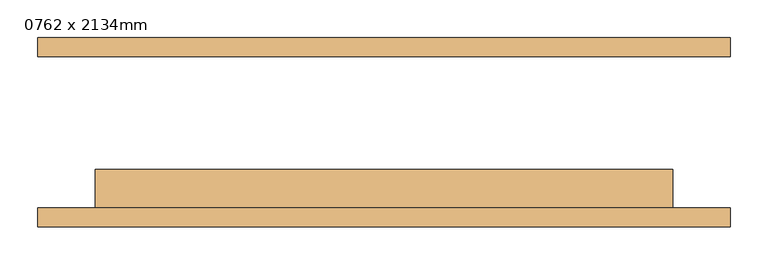
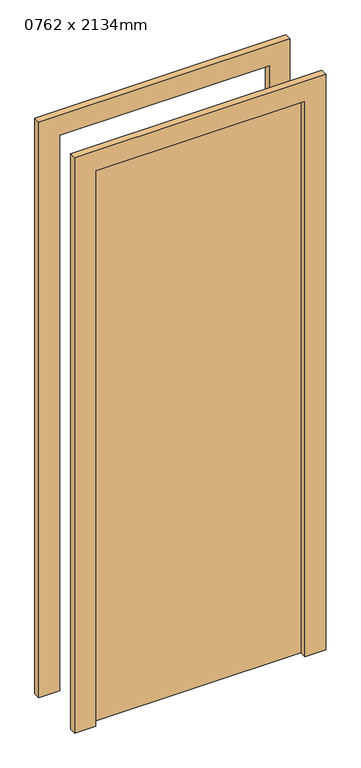
"""IFC4 building model written with IfcOpenShell, lengths in millimetres: door geometry, 0762 x 2134mm."""

from ifc_helpers import new_model, si_unit, frame, origin, origin_with_axes, place, context, project, spatial, polyline, outline, extrude, source, transform, mapped, element, save


def door_0762_x_2134mm_f5705a9d(model_context):
    return source(origin(), model_context, "Body", "SweptSolid", [
        extrude(outline(polyline([(2210.0, -457.0), (0.0, -457.0), (0.0, -381.0), (2134.0, -381.0), (2134.0, 381.0), (0.0, 381.0), (0.0, 457.0), (2210.0, 457.0), (2210.0, -457.0)])), frame((0.0, -125.0, 0.0), z_axis=(0.0, 1.0, 0.0), x_axis=(0.0, 0.0, 1.0)), (0.0, 0.0, 1.0), 25.0),
        extrude(outline(polyline([(2210.0, 457.0), (2210.0, -457.0), (0.0, -457.0), (0.0, -381.0), (2134.0, -381.0), (2134.0, 381.0), (0.0, 381.0), (0.0, 457.0), (2210.0, 457.0)])), frame((0.0, 100.0, 0.0), z_axis=(0.0, 1.0, 0.0), x_axis=(0.0, 0.0, 1.0)), (0.0, 0.0, 1.0), 25.0),
        extrude(outline(polyline([(381.0, -49.0), (381.0, -100.0), (-381.0, -100.0), (-381.0, -49.0), (381.0, -49.0)])), origin_with_axes(), (0.0, 0.0, 1.0), 2134.0),
    ])


if __name__ == "__main__":
    model = new_model("IFC4")
    model_context = context("Model", 3, world=origin())
    ifc_project = project(units=[si_unit("LENGTHUNIT", "METRE", prefix="MILLI")], contexts=[model_context])
    site = spatial("IfcSite", under=ifc_project)
    building = spatial("IfcBuilding", under=site)
    placement = place(None, origin())
    door_0762_x_2134mm_shape = door_0762_x_2134mm_f5705a9d(model_context)
    element("IfcDoor", 1, ObjectType="0762 x 2134mm", at=placement, inside=building, context=model_context, shape_type="MappedRepresentation", body=[
        mapped(door_0762_x_2134mm_shape, transform((0.0, 0.0, 0.0), x_axis=(1.0, 0.0, 0.0), y_axis=(0.0, 1.0, 0.0), z_axis=(0.0, 0.0, 1.0))),
    ])
    save(model, "model.ifc")
